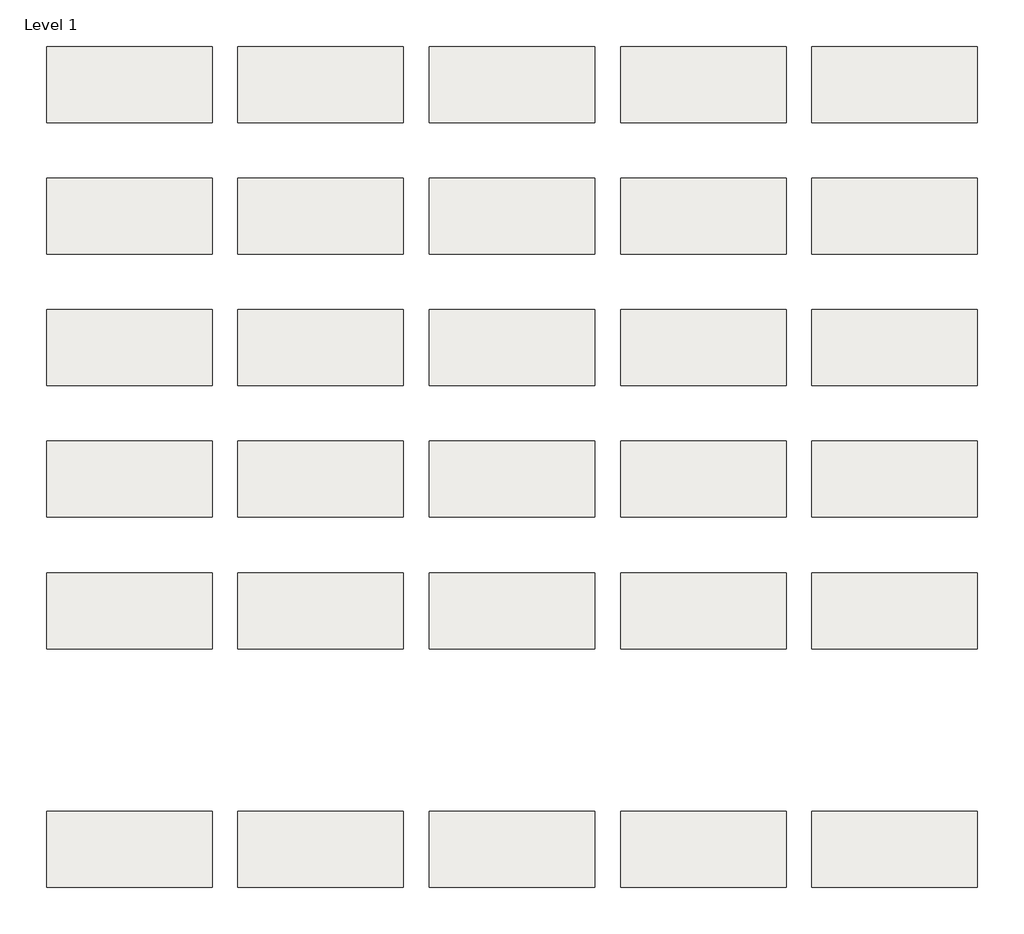
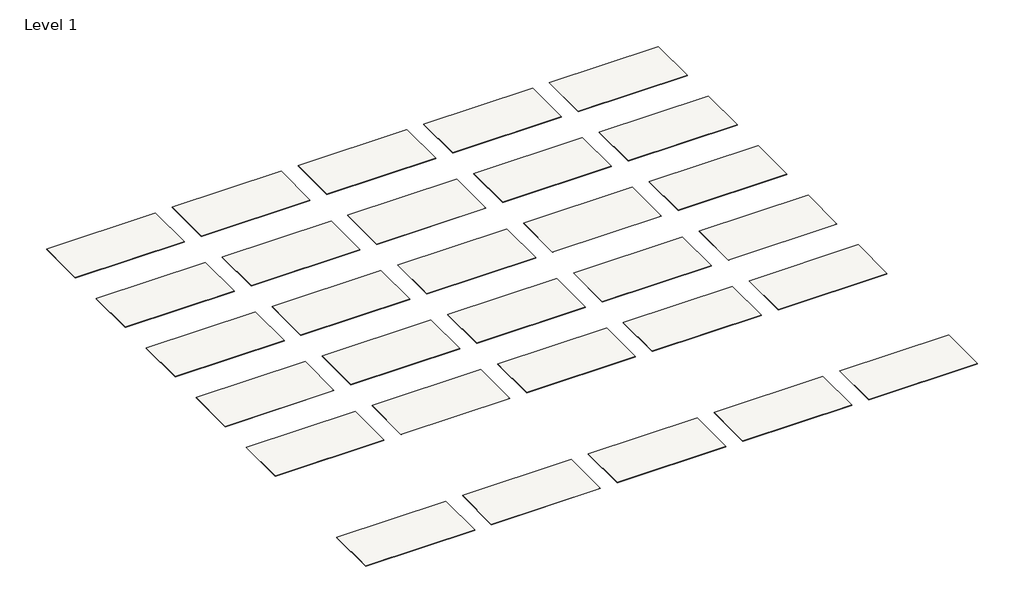
# One storey: 30 roofs.
"""IFC4 building model written with IfcOpenShell, lengths in millimetres."""

from ifc_helpers import new_model, si_unit, origin, origin_with_axes, place, context, project, spatial, polyline, outline, extrude, element, save

model = new_model("IFC4")

# Units and contexts
model_context = context("Model", 3, world=origin())
ifc_project = project(units=[si_unit("LENGTHUNIT", "METRE", prefix="MILLI")], contexts=[model_context])

# Site, building, storey
site = spatial("IfcSite", under=ifc_project)
building = spatial("IfcBuilding", under=site)
storey = spatial("IfcBuildingStorey", under=building, Name="Level 1", Elevation=0.0)

# Roofs
placement = place(None, origin())
element("IfcRoof", 1, at=placement, inside=storey, context=model_context, shape_type="SweptSolid", body=[
    extrude(outline(polyline([(-9725.8471173, -1370.5264682), (-6627.0471173, -1370.5264682), (-6627.0471173, -2792.9264682), (-9725.8471173, -2792.9264682), (-9725.8471173, -1370.5264682)])), origin_with_axes(), (0.0, 0.0, 1.0), 12.7),
])
element("IfcRoof", 2, at=placement, inside=storey, context=model_context, shape_type="SweptSolid", body=[
    extrude(outline(polyline([(-6144.4471173, -1370.5264682), (-3045.6471173, -1370.5264682), (-3045.6471173, -2792.9264682), (-6144.4471173, -2792.9264682), (-6144.4471173, -1370.5264682)])), origin_with_axes(), (0.0, 0.0, 1.0), 12.7),
])
element("IfcRoof", 3, at=placement, inside=storey, context=model_context, shape_type="SweptSolid", body=[
    extrude(outline(polyline([(1018.3528827, -1370.5264682), (4117.1528827, -1370.5264682), (4117.1528827, -2792.9264682), (1018.3528827, -2792.9264682), (1018.3528827, -1370.5264682)])), origin_with_axes(), (0.0, 0.0, 1.0), 12.7),
])
element("IfcRoof", 4, at=placement, inside=storey, context=model_context, shape_type="SweptSolid", body=[
    extrude(outline(polyline([(4599.7528827, -1370.5264682), (7698.5528827, -1370.5264682), (7698.5528827, -2792.9264682), (4599.7528827, -2792.9264682), (4599.7528827, -1370.5264682)])), origin_with_axes(), (0.0, 0.0, 1.0), 12.7),
])
element("IfcRoof", 5, at=placement, inside=storey, context=model_context, shape_type="SweptSolid", body=[
    extrude(outline(polyline([(-9725.8471173, 1093.2735318), (-6627.0471173, 1093.2735318), (-6627.0471173, -329.1264682), (-9725.8471173, -329.1264682), (-9725.8471173, 1093.2735318)])), origin_with_axes(), (0.0, 0.0, 1.0), 12.7),
])
element("IfcRoof", 6, at=placement, inside=storey, context=model_context, shape_type="SweptSolid", body=[
    extrude(outline(polyline([(-6144.4471173, 1093.2735318), (-3045.6471173, 1093.2735318), (-3045.6471173, -329.1264682), (-6144.4471173, -329.1264682), (-6144.4471173, 1093.2735318)])), origin_with_axes(), (0.0, 0.0, 1.0), 12.7),
])
element("IfcRoof", 7, at=placement, inside=storey, context=model_context, shape_type="SweptSolid", body=[
    extrude(outline(polyline([(-2563.0471173, 1093.2735318), (535.7528827, 1093.2735318), (535.7528827, -329.1264682), (-2563.0471173, -329.1264682), (-2563.0471173, 1093.2735318)])), origin_with_axes(), (0.0, 0.0, 1.0), 12.7),
])
element("IfcRoof", 8, at=placement, inside=storey, context=model_context, shape_type="SweptSolid", body=[
    extrude(outline(polyline([(1018.3528827, 1093.2735318), (4117.1528827, 1093.2735318), (4117.1528827, -329.1264682), (1018.3528827, -329.1264682), (1018.3528827, 1093.2735318)])), origin_with_axes(), (0.0, 0.0, 1.0), 12.7),
])
element("IfcRoof", 9, at=placement, inside=storey, context=model_context, shape_type="SweptSolid", body=[
    extrude(outline(polyline([(4599.7528827, 1093.2735318), (7698.5528827, 1093.2735318), (7698.5528827, -329.1264682), (4599.7528827, -329.1264682), (4599.7528827, 1093.2735318)])), origin_with_axes(), (0.0, 0.0, 1.0), 12.7),
])
element("IfcRoof", 10, at=placement, inside=storey, context=model_context, shape_type="SweptSolid", body=[
    extrude(outline(polyline([(-9725.8471173, 3557.0735318), (-6627.0471173, 3557.0735318), (-6627.0471173, 2134.6735318), (-9725.8471173, 2134.6735318), (-9725.8471173, 3557.0735318)])), origin_with_axes(), (0.0, 0.0, 1.0), 12.7),
])
element("IfcRoof", 11, at=placement, inside=storey, context=model_context, shape_type="SweptSolid", body=[
    extrude(outline(polyline([(-6144.4471173, 3557.0735318), (-3045.6471173, 3557.0735318), (-3045.6471173, 2134.6735318), (-6144.4471173, 2134.6735318), (-6144.4471173, 3557.0735318)])), origin_with_axes(), (0.0, 0.0, 1.0), 12.7),
])
element("IfcRoof", 12, at=placement, inside=storey, context=model_context, shape_type="SweptSolid", body=[
    extrude(outline(polyline([(-2563.0471173, 3557.0735318), (535.7528827, 3557.0735318), (535.7528827, 2134.6735318), (-2563.0471173, 2134.6735318), (-2563.0471173, 3557.0735318)])), origin_with_axes(), (0.0, 0.0, 1.0), 12.7),
])
element("IfcRoof", 13, at=placement, inside=storey, context=model_context, shape_type="SweptSolid", body=[
    extrude(outline(polyline([(1018.3528827, 3557.0735318), (4117.1528827, 3557.0735318), (4117.1528827, 2134.6735318), (1018.3528827, 2134.6735318), (1018.3528827, 3557.0735318)])), origin_with_axes(), (0.0, 0.0, 1.0), 12.7),
])
element("IfcRoof", 14, at=placement, inside=storey, context=model_context, shape_type="SweptSolid", body=[
    extrude(outline(polyline([(4599.7528827, 3557.0735318), (7698.5528827, 3557.0735318), (7698.5528827, 2134.6735318), (4599.7528827, 2134.6735318), (4599.7528827, 3557.0735318)])), origin_with_axes(), (0.0, 0.0, 1.0), 12.7),
])
element("IfcRoof", 15, at=placement, inside=storey, context=model_context, shape_type="SweptSolid", body=[
    extrude(outline(polyline([(-9725.8471173, 6020.8735318), (-6627.0471173, 6020.8735318), (-6627.0471173, 4598.4735318), (-9725.8471173, 4598.4735318), (-9725.8471173, 6020.8735318)])), origin_with_axes(), (0.0, 0.0, 1.0), 12.7),
])
element("IfcRoof", 16, at=placement, inside=storey, context=model_context, shape_type="SweptSolid", body=[
    extrude(outline(polyline([(-6144.4471173, 6020.8735318), (-3045.6471173, 6020.8735318), (-3045.6471173, 4598.4735318), (-6144.4471173, 4598.4735318), (-6144.4471173, 6020.8735318)])), origin_with_axes(), (0.0, 0.0, 1.0), 12.7),
])
element("IfcRoof", 17, at=placement, inside=storey, context=model_context, shape_type="SweptSolid", body=[
    extrude(outline(polyline([(-2563.0471173, 6020.8735318), (535.7528827, 6020.8735318), (535.7528827, 4598.4735318), (-2563.0471173, 4598.4735318), (-2563.0471173, 6020.8735318)])), origin_with_axes(), (0.0, 0.0, 1.0), 12.7),
])
element("IfcRoof", 18, at=placement, inside=storey, context=model_context, shape_type="SweptSolid", body=[
    extrude(outline(polyline([(1018.3528827, 6020.8735318), (4117.1528827, 6020.8735318), (4117.1528827, 4598.4735318), (1018.3528827, 4598.4735318), (1018.3528827, 6020.8735318)])), origin_with_axes(), (0.0, 0.0, 1.0), 12.7),
])
element("IfcRoof", 19, at=placement, inside=storey, context=model_context, shape_type="SweptSolid", body=[
    extrude(outline(polyline([(4599.7528827, 6020.8735318), (7698.5528827, 6020.8735318), (7698.5528827, 4598.4735318), (4599.7528827, 4598.4735318), (4599.7528827, 6020.8735318)])), origin_with_axes(), (0.0, 0.0, 1.0), 12.7),
])
element("IfcRoof", 20, at=placement, inside=storey, context=model_context, shape_type="SweptSolid", body=[
    extrude(outline(polyline([(-9725.8471173, 8484.6735318), (-6627.0471173, 8484.6735318), (-6627.0471173, 7062.2735318), (-9725.8471173, 7062.2735318), (-9725.8471173, 8484.6735318)])), origin_with_axes(), (0.0, 0.0, 1.0), 12.7),
])
element("IfcRoof", 21, at=placement, inside=storey, context=model_context, shape_type="SweptSolid", body=[
    extrude(outline(polyline([(-6144.4471173, 8484.6735318), (-3045.6471173, 8484.6735318), (-3045.6471173, 7062.2735318), (-6144.4471173, 7062.2735318), (-6144.4471173, 8484.6735318)])), origin_with_axes(), (0.0, 0.0, 1.0), 12.7),
])
element("IfcRoof", 22, at=placement, inside=storey, context=model_context, shape_type="SweptSolid", body=[
    extrude(outline(polyline([(-2563.0471173, 8484.6735318), (535.7528827, 8484.6735318), (535.7528827, 7062.2735318), (-2563.0471173, 7062.2735318), (-2563.0471173, 8484.6735318)])), origin_with_axes(), (0.0, 0.0, 1.0), 12.7),
])
element("IfcRoof", 23, at=placement, inside=storey, context=model_context, shape_type="SweptSolid", body=[
    extrude(outline(polyline([(1018.3528827, 8484.6735318), (4117.1528827, 8484.6735318), (4117.1528827, 7062.2735318), (1018.3528827, 7062.2735318), (1018.3528827, 8484.6735318)])), origin_with_axes(), (0.0, 0.0, 1.0), 12.7),
])
element("IfcRoof", 24, at=placement, inside=storey, context=model_context, shape_type="SweptSolid", body=[
    extrude(outline(polyline([(4599.7528827, 8484.6735318), (7698.5528827, 8484.6735318), (7698.5528827, 7062.2735318), (4599.7528827, 7062.2735318), (4599.7528827, 8484.6735318)])), origin_with_axes(), (0.0, 0.0, 1.0), 12.7),
])
element("IfcRoof", 25, at=placement, inside=storey, context=model_context, shape_type="SweptSolid", body=[
    extrude(outline(polyline([(-9725.8471173, -5840.9264682), (-6627.0471173, -5840.9264682), (-6627.0471173, -7263.3264682), (-9725.8471173, -7263.3264682), (-9725.8471173, -5840.9264682)])), origin_with_axes(), (0.0, 0.0, 1.0), 12.7),
])
element("IfcRoof", 26, at=placement, inside=storey, context=model_context, shape_type="SweptSolid", body=[
    extrude(outline(polyline([(-6144.4471173, -5840.9264682), (-3045.6471173, -5840.9264682), (-3045.6471173, -7263.3264682), (-6144.4471173, -7263.3264682), (-6144.4471173, -5840.9264682)])), origin_with_axes(), (0.0, 0.0, 1.0), 12.7),
])
element("IfcRoof", 27, at=placement, inside=storey, context=model_context, shape_type="SweptSolid", body=[
    extrude(outline(polyline([(-2563.0471173, -5840.9264682), (535.7528827, -5840.9264682), (535.7528827, -7263.3264682), (-2563.0471173, -7263.3264682), (-2563.0471173, -5840.9264682)])), origin_with_axes(), (0.0, 0.0, 1.0), 12.7),
])
element("IfcRoof", 28, at=placement, inside=storey, context=model_context, shape_type="SweptSolid", body=[
    extrude(outline(polyline([(1018.3528827, -5840.9264682), (4117.1528827, -5840.9264682), (4117.1528827, -7263.3264682), (1018.3528827, -7263.3264682), (1018.3528827, -5840.9264682)])), origin_with_axes(), (0.0, 0.0, 1.0), 12.7),
])
element("IfcRoof", 29, at=placement, inside=storey, context=model_context, shape_type="SweptSolid", body=[
    extrude(outline(polyline([(4599.7528827, -5840.9264682), (7698.5528827, -5840.9264682), (7698.5528827, -7263.3264682), (4599.7528827, -7263.3264682), (4599.7528827, -5840.9264682)])), origin_with_axes(), (0.0, 0.0, 1.0), 12.7),
])
element("IfcRoof", 30, ObjectType="Metal - Fabral - 1/2\" Corrugated - 40\" - 26 ga. Steel - Teal", at=placement, inside=storey, context=model_context, shape_type="SweptSolid", body=[
    extrude(outline(polyline([(-2563.0471173, -1370.5264682), (535.7528827, -1370.5264682), (535.7528827, -2792.9264682), (-2563.0471173, -2792.9264682), (-2563.0471173, -1370.5264682)])), origin_with_axes(), (0.0, 0.0, 1.0), 12.7),
])

save(model, "model.ifc")
